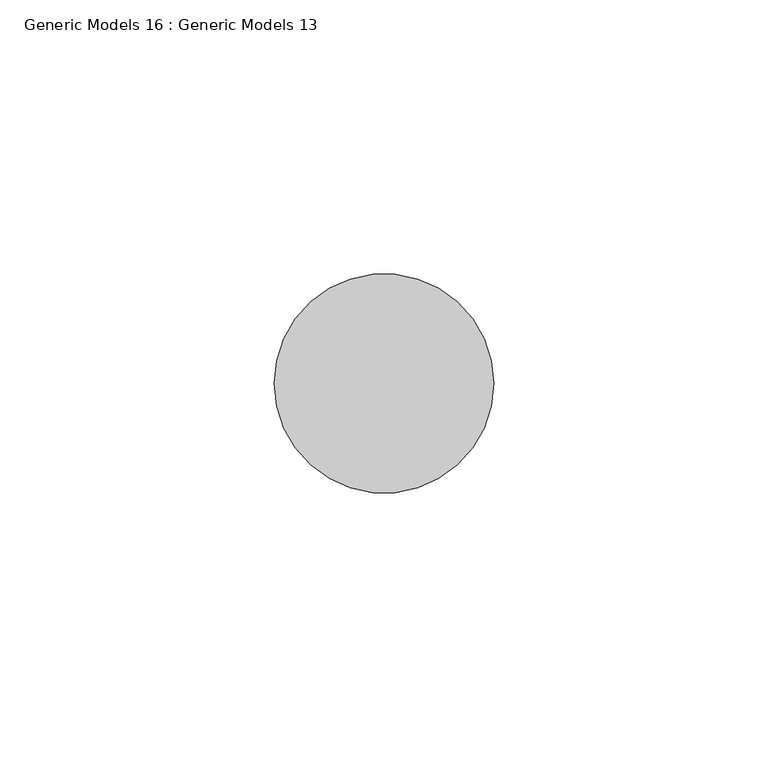
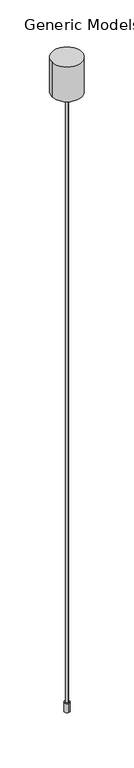
"""IFC4 building model written with IfcOpenShell, lengths in millimetres: proxy geometry, Generic Models 16 : Generic Models 13."""

from ifc_helpers import new_model, si_unit, point, frame, frame_2d, origin, place, context, project, spatial, circle_curve, trimmed, segment, composite_curve, outline, extrude, source, transform, mapped, element, save


def generic_models_16_generic_models_13_b18c5e8b(model_context):
    return source(origin(), model_context, "Body", "SweptSolid", [
        extrude(outline(composite_curve([segment(trimmed(circle_curve(frame_2d((-45864.2168156, 47233.3035612)), 3.5), [point((-45864.2168156, 47229.8035612))], [point((-45864.2168156, 47236.8035612))], False, "CARTESIAN"), True, "CONTINUOUS"), segment(trimmed(circle_curve(frame_2d((-45864.2168156, 47233.3035612)), 3.5), [point((-45864.2168156, 47236.8035612))], [point((-45864.2168156, 47229.8035612))], False, "CARTESIAN"), True, "CONTINUOUS")], self_intersect=False)), frame((0.0, 0.0, 112269.5379089), z_axis=(0.0, 0.0, 1.0), x_axis=(1.0, 0.0, 0.0)), (0.0, 0.0, 1.0), 12.6782393),
        extrude(outline(composite_curve([segment(trimmed(circle_curve(frame_2d((-45864.2583086, 47233.2874024)), 2.0), [point((-45864.2583086, 47231.2874024))], [point((-45864.2583086, 47235.2874024))], False, "CARTESIAN"), True, "CONTINUOUS"), segment(trimmed(circle_curve(frame_2d((-45864.2583086, 47233.2874024)), 2.0), [point((-45864.2583086, 47235.2874024))], [point((-45864.2583086, 47231.2874024))], False, "CARTESIAN"), True, "CONTINUOUS")], self_intersect=False)), frame((0.0, 0.0, 112277.7459711), z_axis=(0.0, 0.0, 1.0), x_axis=(1.0, 0.0, 0.0)), (0.0, 0.0, 1.0), 861.8468723),
        extrude(outline(composite_curve([segment(trimmed(circle_curve(frame_2d((-45864.375806, 47233.3578788)), 20.0), [point((-45884.375806, 47233.3578788))], [point((-45844.375806, 47233.3578788))], False, "CARTESIAN"), True, "CONTINUOUS"), segment(trimmed(circle_curve(frame_2d((-45864.375806, 47233.3578788)), 20.0), [point((-45844.375806, 47233.3578788))], [point((-45884.375806, 47233.3578788))], False, "CARTESIAN"), True, "CONTINUOUS")], self_intersect=False)), frame((0.0, 0.0, 113139.5928434), z_axis=(0.0, 0.0, 1.0), x_axis=(1.0, 0.0, 0.0)), (0.0, 0.0, 1.0), 48.8397813),
    ])


if __name__ == "__main__":
    model = new_model("IFC4")
    model_context = context("Model", 3, world=origin())
    ifc_project = project(units=[si_unit("LENGTHUNIT", "METRE", prefix="MILLI")], contexts=[model_context])
    site = spatial("IfcSite", under=ifc_project)
    building = spatial("IfcBuilding", under=site)
    placement = place(None, origin())
    generic_models_16_generic_models_13_shape = generic_models_16_generic_models_13_b18c5e8b(model_context)
    element("IfcBuildingElementProxy", 1, Name="Generic Models 16 : Generic Models 13", ObjectType="Generic Models 16 : Generic Models 13", at=placement, inside=building, context=model_context, shape_type="MappedRepresentation", body=[
        mapped(generic_models_16_generic_models_13_shape, transform((0.0, 0.0, 0.0), x_axis=(1.0, 0.0, 0.0), y_axis=(0.0, 1.0, 0.0), z_axis=(0.0, 0.0, 1.0))),
    ])
    save(model, "model.ifc")
